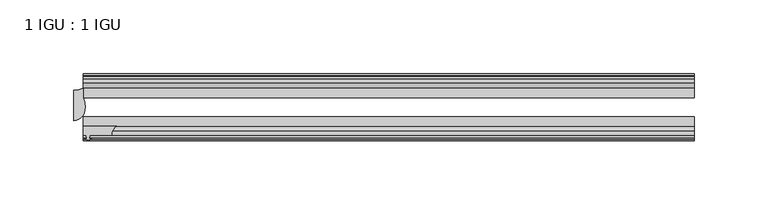
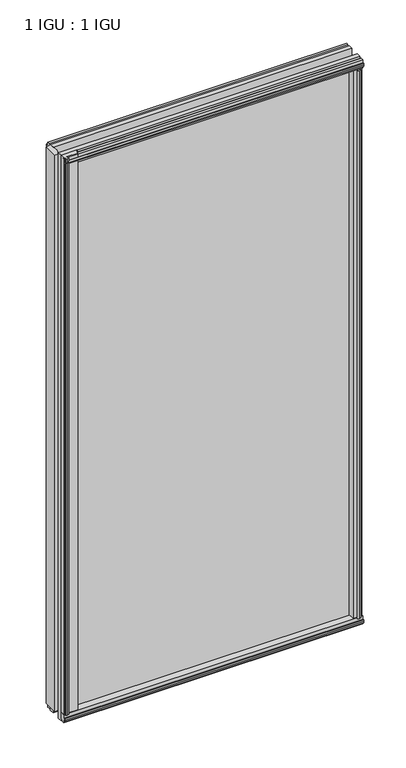
"""IFC4 building model written with IfcOpenShell, lengths in millimetres: plate geometry, 1 IGU : 1 IGU."""

import ifcopenshell
import ifcopenshell.guid

model = None  # the IFC model being written
_history = None  # IfcOwnerHistory: only IFC2X3 demands one
_inside = {}  # id of a spatial element -> (the spatial element, [elements in it])
_under = {}  # id of a project, library or spatial element -> (it, [spatial elements below it])
_declared = {}  # id of a project -> (the project, [libraries it declares])
_typed = {}  # id of a type object -> (the type object, [elements of that type])
_made_of = {}  # id of a material, layer set ... -> (it, [elements and type objects made of it])


def new_model(schema):
    """Start an empty IFC model of exactly this schema.

    Asked for "IFC4X3", IfcOpenShell would pick the latest addendum, in which some entities
    have other attributes; the version numbers below select the first issue.
    IFC2X3 requires an IfcOwnerHistory on every rooted entity: one is made here for all.
    """
    global model, _history
    if schema == "IFC4X3":
        model = ifcopenshell.file(schema_version=(4, 3, 0, 0))
    else:
        model = ifcopenshell.file(schema=schema)
    _inside.clear()
    _under.clear()
    _declared.clear()
    _typed.clear()
    _made_of.clear()
    _history = None
    if model.schema == "IFC2X3":
        org = make("IfcOrganization", Name="unknown")
        user = make(
            "IfcPersonAndOrganization",
            ThePerson=make("IfcPerson", FamilyName="unknown"),
            TheOrganization=org,
        )
        app = make(
            "IfcApplication",
            ApplicationDeveloper=org,
            Version="unknown",
            ApplicationFullName="unknown",
            ApplicationIdentifier="unknown",
        )
        _history = make(
            "IfcOwnerHistory",
            OwningUser=user,
            OwningApplication=app,
            ChangeAction="ADDED",
            CreationDate=0,
        )
    return model


def make(cls, **values):
    """One entity of the class cls with the attributes given. An attribute that is None is left unset."""
    return model.create_entity(
        cls, **{name: value for name, value in values.items() if value is not None}
    )


def rooted(cls, **values):
    """An entity with a GlobalId (a new one), such as an element, a storey or a relation."""
    return make(cls, GlobalId=ifcopenshell.guid.new(), OwnerHistory=_history, **values)


def si_unit(unit_type, name, prefix=None):
    """IfcSIUnit, for example si_unit("LENGTHUNIT", "METRE", prefix="MILLI")."""
    return make("IfcSIUnit", UnitType=unit_type, Prefix=prefix, Name=name)


def assignment(units):
    """IfcUnitAssignment: the units of a project."""
    return None if units is None else make("IfcUnitAssignment", Units=units)


def point(xyz):
    """IfcCartesianPoint."""
    return None if xyz is None else make("IfcCartesianPoint", Coordinates=xyz)


def direction(xyz):
    """IfcDirection."""
    return None if xyz is None else make("IfcDirection", DirectionRatios=xyz)


def frame(location, z_axis=None, x_axis=None):
    """IfcAxis2Placement3D, a coordinate frame: its origin and axes. An axis left out is left unset."""
    return make(
        "IfcAxis2Placement3D",
        Location=point(location),
        Axis=direction(z_axis),
        RefDirection=direction(x_axis),
    )


def frame_2d(location, x_axis=None):
    """IfcAxis2Placement2D, a coordinate frame in the plane: its origin and x axis."""
    return make(
        "IfcAxis2Placement2D", Location=point(location), RefDirection=direction(x_axis)
    )


def origin():
    """The frame at (0, 0, 0) with its axes left unset."""
    return frame((0.0, 0.0, 0.0))


def origin_with_axes():
    """The frame at (0, 0, 0) with the z axis (0, 0, 1) and the x axis (1, 0, 0) written out."""
    return frame((0.0, 0.0, 0.0), z_axis=(0.0, 0.0, 1.0), x_axis=(1.0, 0.0, 0.0))


def place(relative_to, where):
    """IfcLocalPlacement: puts the frame where relative to a parent placement (None: the world)."""
    return make(
        "IfcLocalPlacement", PlacementRelTo=relative_to, RelativePlacement=where
    )


def context(
    kind, dimensions, precision=None, world=None, true_north=None, identifier=None
):
    """IfcGeometricRepresentationContext, for example the 3D "Model" context."""
    return make(
        "IfcGeometricRepresentationContext",
        ContextIdentifier=identifier,
        ContextType=kind,
        CoordinateSpaceDimension=dimensions,
        Precision=precision,
        WorldCoordinateSystem=world,
        TrueNorth=true_north,
    )


def project(units=None, contexts=None):
    """IfcProject with its units and contexts."""
    return rooted(
        "IfcProject",
        Name="project",
        RepresentationContexts=contexts,
        UnitsInContext=assignment(units),
    )


def spatial(cls, under=None, at=None, **own):
    """A site, building, storey or space (cls), placed at a placement, below another one or the project."""
    s = rooted(cls, ObjectPlacement=at, **own)
    if under is not None:
        _under.setdefault(under.id(), (under, []))[1].append(s)
    return s


def polyline(points):
    """IfcPolyline through the points."""
    return make("IfcPolyline", Points=[point(p) for p in points])


def circle_curve(where, radius):
    """IfcCircle in the frame where."""
    return make("IfcCircle", Position=where, Radius=radius)


def ellipse_curve(where, semi_axis1, semi_axis2):
    """IfcEllipse in the frame where."""
    return make(
        "IfcEllipse", Position=where, SemiAxis1=semi_axis1, SemiAxis2=semi_axis2
    )


def trimmed(basis, trim1, trim2, sense, master):
    """IfcTrimmedCurve: the piece of a basis curve between two trims."""
    return make(
        "IfcTrimmedCurve",
        BasisCurve=basis,
        Trim1=trim1,
        Trim2=trim2,
        SenseAgreement=sense,
        MasterRepresentation=master,
    )


def segment(curve, same_sense, transition):
    """IfcCompositeCurveSegment."""
    return make(
        "IfcCompositeCurveSegment",
        Transition=transition,
        SameSense=same_sense,
        ParentCurve=curve,
    )


def composite_curve(segments, self_intersect=None):
    """IfcCompositeCurve: segments joined end to end."""
    return make("IfcCompositeCurve", Segments=segments, SelfIntersect=self_intersect)


def outline(outer, holes=None, kind="AREA"):
    """IfcArbitraryClosedProfileDef: a profile drawn as a closed curve; with holes, ...WithVoids."""
    if holes is None:
        return make("IfcArbitraryClosedProfileDef", ProfileType=kind, OuterCurve=outer)
    return make(
        "IfcArbitraryProfileDefWithVoids",
        ProfileType=kind,
        OuterCurve=outer,
        InnerCurves=holes,
    )


def extrude(swept, where, along, depth):
    """IfcExtrudedAreaSolid: the profile swept, set in the frame where, extruded along a direction by depth."""
    return make(
        "IfcExtrudedAreaSolid",
        SweptArea=swept,
        Position=where,
        ExtrudedDirection=direction(along),
        Depth=depth,
    )


def shape(context_of_items, identifier, shape_type, items):
    """IfcShapeRepresentation: the items that make up one representation, for example the "Body"."""
    return make(
        "IfcShapeRepresentation",
        ContextOfItems=context_of_items,
        RepresentationIdentifier=identifier,
        RepresentationType=shape_type,
        Items=items,
    )


def source(mapping_origin, context_of_items, identifier, shape_type, items):
    """IfcRepresentationMap: a shape defined once, which mapped items show again and again."""
    return make(
        "IfcRepresentationMap",
        MappingOrigin=mapping_origin,
        MappedRepresentation=shape(context_of_items, identifier, shape_type, items),
    )


def transform(
    local_origin,
    x_axis=None,
    y_axis=None,
    z_axis=None,
    scale=None,
    scale2=None,
    scale3=None,
    uniform=True,
):
    """IfcCartesianTransformationOperator3D, or its non-uniform kind. x_axis, y_axis, z_axis: its Axis1, 2, 3."""
    if uniform:
        return make(
            "IfcCartesianTransformationOperator3D",
            Axis1=direction(x_axis),
            Axis2=direction(y_axis),
            LocalOrigin=point(local_origin),
            Scale=scale,
            Axis3=direction(z_axis),
        )
    return make(
        "IfcCartesianTransformationOperator3DnonUniform",
        Axis1=direction(x_axis),
        Axis2=direction(y_axis),
        LocalOrigin=point(local_origin),
        Scale=scale,
        Axis3=direction(z_axis),
        Scale2=scale2,
        Scale3=scale3,
    )


def mapped(mapping_source, mapping_target):
    """IfcMappedItem: shows the shape of a source again, moved by a transform."""
    return make(
        "IfcMappedItem", MappingSource=mapping_source, MappingTarget=mapping_target
    )


def made_of(thing, what):
    """Note that an element or type object is made of a material, layer set ...; save() writes the relation."""
    if what is not None:
        _made_of.setdefault(what.id(), (what, []))[1].append(thing)
    return thing


def element(
    cls,
    number,
    at=None,
    inside=None,
    cuts=None,
    type_object=None,
    material=None,
    context=None,
    identifier="Body",
    shape_type=None,
    held_by="IfcProductDefinitionShape",
    body=None,
    shapes=None,
    **own,
):
    """One element of the class cls, such as IfcWall. Its Tag is "e" and its number.

    at: its placement. inside: the storey or other place that contains it. cuts: it is an
    opening in that element (IfcRelVoidsElement). A single representation is given by context,
    identifier, shape_type and body (its items); several are given by shapes. held_by: the class
    of the entity that holds the representations. save() writes the other relations.
    """
    e = rooted(cls, Tag="e%d" % number, ObjectPlacement=at, **own)
    if body is not None:
        shapes = [shape(context, identifier, shape_type, body)]
    if shapes is not None:
        e.Representation = make(held_by, Representations=shapes)
    if inside is not None:
        _inside.setdefault(inside.id(), (inside, []))[1].append(e)
    if cuts is not None:
        rooted(
            "IfcRelVoidsElement", RelatingBuildingElement=cuts, RelatedOpeningElement=e
        )
    if type_object is not None:
        _typed.setdefault(type_object.id(), (type_object, []))[1].append(e)
    return made_of(e, material)


def aggregate(whole, parts):
    """IfcRelAggregates: a whole, such as a stair, and the parts it consists of."""
    return rooted("IfcRelAggregates", RelatingObject=whole, RelatedObjects=parts)


def save(model, path):
    """Write the relations noted so far, then the file.

    IfcRelAggregates (storeys below a building ...), IfcRelContainedInSpatialStructure (elements
    in a storey), IfcRelDefinesByType, IfcRelAssociatesMaterial and IfcRelDeclares: one each for
    every whole, place, type object, material and project.
    """
    for whole, parts in _under.values():
        aggregate(whole, parts)
    for where, things in _inside.values():
        rooted(
            "IfcRelContainedInSpatialStructure",
            RelatedElements=things,
            RelatingStructure=where,
        )
    for kind, things in _typed.values():
        rooted("IfcRelDefinesByType", RelatedObjects=things, RelatingType=kind)
    for what, things in _made_of.values():
        rooted("IfcRelAssociatesMaterial", RelatedObjects=things, RelatingMaterial=what)
    for by, libraries in _declared.values():
        rooted("IfcRelDeclares", RelatingContext=by, RelatedDefinitions=libraries)
    model.write(path)


def plane_surface(at):
    """IfcPlane: the flat surface through the origin of the frame at, square to its z axis."""
    return make("IfcPlane", Position=at)


def cylinder_surface(at, radius):
    """IfcCylindricalSurface: all points at the distance radius from the z axis of the frame at."""
    return make("IfcCylindricalSurface", Position=at, Radius=radius)


def revolved_surface(curve, axis_point, axis_direction):
    """IfcSurfaceOfRevolution: the curve turned about the line through axis_point along axis_direction."""
    return make(
        "IfcSurfaceOfRevolution",
        SweptCurve=make("IfcArbitraryOpenProfileDef", ProfileType="CURVE", Curve=curve),
        AxisPosition=make("IfcAxis1Placement", Location=point(axis_point), Axis=direction(axis_direction)),
    )


def extruded_surface(curve, direction_of_extrusion, depth):
    """IfcSurfaceOfLinearExtrusion: the curve pushed along a direction by depth."""
    return make(
        "IfcSurfaceOfLinearExtrusion",
        SweptCurve=make("IfcArbitraryOpenProfileDef", ProfileType="CURVE", Curve=curve),
        ExtrudedDirection=direction(direction_of_extrusion),
        Depth=depth,
    )


def advanced_brep(points, edges, surfaces, faces):
    """IfcAdvancedBrep: a solid bounded by faces that lie on surfaces and meet in shared edges.

    An edge is (start, end): straight between two places in points (the first is 0);
    or (start, end, curve); or (start, end, curve, False) where it runs against its curve.
    A face is (place in surfaces, loops), or (place, loops, False) where it looks against
    its surface's normal. A loop lists edges by number (the first is 1), with a minus sign
    where the edge is run from its end to its start. The first loop is the outer one.
    """
    corners = [point(p) for p in points]
    vertices = [make("IfcVertexPoint", VertexGeometry=c) for c in corners]
    made = []
    for start, end, *more in edges:
        made.append(
            make(
                "IfcEdgeCurve",
                EdgeStart=vertices[start],
                EdgeEnd=vertices[end],
                EdgeGeometry=more[0] if more else make("IfcPolyline", Points=[corners[start], corners[end]]),
                SameSense=more[1] if len(more) > 1 else True,
            )
        )
    hull = []
    for where, loops, *sense in faces:
        bounds = []
        for j, loop in enumerate(loops):
            ring = [make("IfcOrientedEdge", EdgeElement=made[abs(k) - 1], Orientation=k > 0) for k in loop]
            bounds.append(
                make(
                    "IfcFaceOuterBound" if j == 0 else "IfcFaceBound",
                    Bound=make("IfcEdgeLoop", EdgeList=ring),
                    Orientation=True,
                )
            )
        hull.append(make("IfcAdvancedFace", Bounds=bounds, FaceSurface=surfaces[where], SameSense=sense[0] if sense else True))
    return make("IfcAdvancedBrep", Outer=make("IfcClosedShell", CfsFaces=hull))


def plate_1_igu_1_igu_0d06a0a3(model_context):
    return source(origin(), model_context, "Body", "SolidModel", [
        extrude(outline(composite_curve([segment(trimmed(circle_curve(frame_2d((-183.018843, -51.2493858)), 7.4386445), [point((-186.9687723, -44.9460937))], [point((-190.4573409, -51.2960937))], True, "CARTESIAN"), True, "CONTINUOUS"), segment(polyline([(-190.4573409, -51.2960937), (-205.0623409, -51.2960937), (-205.3798409, -53.4006957), (-204.173935, -53.0775742), (-204.173935, -53.8927506), (-206.3323409, -54.4710937), (-208.4907468, -53.8927506), (-208.4907468, -53.0775742), (-207.2848409, -53.4006957), (-207.6023409, -51.2960937), (-209.5073409, -51.2960937), (-209.5073409, -44.9460937), (-186.9687723, -44.9460937)]), True, "CONTINUOUS")], self_intersect=False)), origin_with_axes(), (0.0, 0.0, 1.0), 812.7872998),
        extrude(outline(polyline([(188.8715546, -19.5460937), (190.9768317, -13.1960937), (196.1840261, -13.1960937), (196.5650261, -10.8158968), (195.1494971, -11.27583), (195.1494971, -10.4746158), (197.3270261, -9.7670937), (199.5045552, -10.4746158), (199.5045552, -11.27583), (198.0890261, -10.8158968), (198.4700261, -13.1960937), (202.9150261, -13.1960937), (202.9150261, -16.1419073), (200.7019486, -19.5460937), (188.8715546, -19.5460937)])), origin_with_axes(), (0.0, 0.0, 1.0), 800.1),
        extrude(outline(polyline([(-16.1419073, -12.4576852), (-19.5460937, -10.2446077), (-19.5460937, 1.5857863), (-13.1960937, -0.5194908), (-13.1960937, -5.7266852), (-10.8158968, -6.1076852), (-11.27583, -4.6921562), (-10.4746158, -4.6921562), (-9.7670937, -6.8696852), (-10.4746158, -9.0472143), (-11.27583, -9.0472143), (-10.8158968, -7.6316852), (-13.1960937, -8.0126852), (-13.1960937, -12.4576852), (-16.1419073, -12.4576852)])), frame((-209.5073409, 0.0, 0.0), z_axis=(1.0, 0.0, 0.0), x_axis=(0.0, 1.0, 0.0)), (0.0, 0.0, 1.0), 412.6646818),
        extrude(outline(polyline([(-48.3502802, -11.938), (-51.2960937, -11.938), (-51.2960937, -7.493), (-53.6762907, -7.112), (-53.2163575, -8.5275291), (-54.0175717, -8.5275291), (-54.7250937, -6.35), (-54.0175717, -4.172471), (-53.2163575, -4.172471), (-53.6762907, -5.588), (-51.2960937, -5.207), (-51.2960937, 0.0001944), (-44.9460937, 2.1054715), (-44.9460937, -9.7249225), (-48.3502802, -11.938)])), frame((-209.5073409, 0.0, 0.0), z_axis=(1.0, 0.0, 0.0), x_axis=(0.0, 1.0, 0.0)), (0.0, 0.0, 1.0), 412.6646818),
        extrude(outline(polyline([(-16.1028367, 812.5576852), (-13.1960937, 812.5576852), (-13.1960937, 808.1126852), (-10.8158968, 807.7316852), (-11.27583, 809.1472143), (-10.4746158, 809.1472143), (-9.7670937, 806.9696852), (-10.4746158, 804.7921562), (-11.27583, 804.7921562), (-10.8158968, 806.2076852), (-13.1960937, 805.8266852), (-13.1960937, 800.5940908), (-19.5460937, 798.4888137), (-19.5460937, 810.3192077), (-16.1028367, 812.5576852)])), frame((-209.5073409, 0.0, 0.0), z_axis=(1.0, 0.0, 0.0), x_axis=(0.0, 1.0, 0.0)), (0.0, 0.0, 1.0), 412.6646818),
        extrude(outline(polyline([(-48.3893508, 812.0126), (-44.9460937, 809.7741225), (-44.9460937, 797.9437285), (-51.2960937, 800.0490056), (-51.2960937, 805.2816), (-53.6762907, 805.6626), (-53.2163575, 804.247071), (-54.0175717, 804.247071), (-54.7250938, 806.4246), (-54.0175717, 808.6021291), (-53.2163575, 808.6021291), (-53.6762907, 807.1866), (-51.2960937, 807.5676), (-51.2960937, 812.0126), (-48.3893508, 812.0126)])), frame((-209.5073409, 0.0, 0.0), z_axis=(1.0, 0.0, 0.0), x_axis=(0.0, 1.0, 0.0)), (0.0, 0.0, 1.0), 412.6646818),
        advanced_brep(
        [(-215.8573409, -41.2564987, 812.7872998), (-208.3350038, -32.2460937, 812.7872998), (-209.5073409, -25.8452937, 812.7872998), (-209.5073409, -19.5460937, 812.7872998), (-215.8573409, -20.7775816, 812.7872998), (-215.8573409, -41.2564987, 0.0), (-215.8573409, -20.7775816, 0.0), (-209.5073409, -19.5460937, 0.0), (-209.5073409, -25.8452937, 0.0), (-208.3350038, -32.2460937, 0.0)],
        [
            (0, 1, ellipse_curve(frame((-215.8573409, -32.2460937, 812.7872998), z_axis=(0.0, 0.0, 1.0), x_axis=(0.0, 1.0, 0.0)), 9.010405, 7.5223372)),
            (1, 2, circle_curve(frame((-226.3949172, -32.2460937, 812.7872998), z_axis=(0.0, 0.0, 1.0), x_axis=(0.0, 1.0, 0.0)), 18.0599135)),
            (2, 3),
            (3, 4, circle_curve(frame((-215.8573409, -3.7903806, 812.7872998), z_axis=(0.0, 0.0, -1.0), x_axis=(0.0, 1.0, 0.0)), 16.987201)),
            (4, 0),
            (5, 6),
            (6, 7, circle_curve(frame((-215.8573409, -3.7903806, 0.0), z_axis=(0.0, 0.0, 1.0), x_axis=(0.0, 1.0, 0.0)), 16.987201)),
            (7, 8),
            (8, 9, circle_curve(frame((-226.3949172, -32.2460937, 0.0), z_axis=(0.0, 0.0, -1.0), x_axis=(0.0, 1.0, 0.0)), 18.0599135)),
            (9, 5, ellipse_curve(frame((-215.8573409, -32.2460937, 0.0), z_axis=(0.0, 0.0, -1.0), x_axis=(0.0, 1.0, 0.0)), 9.010405, 7.5223372)),
            (0, 5),
            (9, 1),
            (4, 6),
            (8, 2),
            (7, 3),
        ],
        [
            plane_surface(frame((-190.4573409, -13.1960937, 812.7872998), z_axis=(0.0, 0.0, 1.0), x_axis=(0.0, 1.0, 0.0))),
            plane_surface(frame((-190.4573409, -13.1960937, 0.0), z_axis=(0.0, 0.0, -1.0), x_axis=(0.0, 1.0, 0.0))),
            extruded_surface(trimmed(ellipse_curve(frame((-215.8573409, -32.2460937, 0.0), z_axis=(0.0, 0.0, 1.0), x_axis=(0.0, 1.0, 0.0)), 9.010405, 7.5223372), [point((-215.8573409, -41.2564987, 0.0))], [point((-208.3350038, -32.2460937, 0.0))], True, "CARTESIAN"), (0.0, 0.0, 812.7872998), 812.7872998),
            plane_surface(frame((-215.8573409, -20.7775816, 812.7872998), z_axis=(-1.0, 0.0, 0.0), x_axis=(0.0, 0.0, -1.0))),
            cylinder_surface(frame((-226.3949172, -32.2460937, 812.7872998), z_axis=(0.0, 0.0, 1.0), x_axis=(0.0, 1.0, 0.0)), 18.0599135),
            plane_surface(frame((-209.5073409, -25.8452937, 812.7872998), z_axis=(1.0, 0.0, 0.0), x_axis=(0.0, 0.0, -1.0))),
            revolved_surface(polyline([(-215.8573409, 13.196820399999998, 0.0), (-215.8573409, 13.196820399999998, 812.7872998)]), (-215.8573409, -3.7903806, 812.7872998), (0.0, 0.0, -1.0)),
        ],
        [
            (0, [[1, 2, 3, 4, 5]]),
            (1, [[6, 7, 8, 9, 10]]),
            (2, [[-1, 11, -10, 12]]),
            (3, [[-5, 13, -6, -11]]),
            (4, [[-2, -12, -9, 14]]),
            (5, [[-3, -14, -8, 15]]),
            (6, [[-4, -15, -7, -13]]),
        ],
    ),
        extrude(outline(polyline([(188.3518694, -44.9460938), (200.1822634, -44.9460938), (202.3953409, -48.3502802), (202.3953409, -51.2960938), (197.9503409, -51.2960938), (197.5693409, -53.6762907), (198.98487, -53.2163575), (198.98487, -54.0175717), (196.8073409, -54.7250938), (194.6298119, -54.0175717), (194.6298119, -53.2163575), (196.0453409, -53.6762907), (195.6643409, -51.2960938), (190.4571465, -51.2960938), (188.3518694, -44.9460938)])), origin_with_axes(), (0.0, 0.0, 1.0), 800.1),
        extrude(outline(polyline([(203.1573409, -19.5460937), (203.1573409, -25.8337453), (-209.5073409, -25.8337453), (-209.5073409, -19.5460937), (203.1573409, -19.5460937)])), frame((0.0, 0.0, -12.7), z_axis=(0.0, 0.0, 1.0), x_axis=(1.0, 0.0, 0.0)), (0.0, 0.0, 1.0), 825.4872998),
        extrude(outline(polyline([(-209.5073409, -44.9460937), (-209.5073409, -38.6468938), (203.1573409, -38.6468938), (203.1573409, -44.9460937), (-209.5073409, -44.9460937)])), frame((0.0, 0.0, -12.7), z_axis=(0.0, 0.0, 1.0), x_axis=(1.0, 0.0, 0.0)), (0.0, 0.0, 1.0), 825.4872998),
    ])


if __name__ == "__main__":
    model = new_model("IFC4")
    model_context = context("Model", 3, world=origin())
    ifc_project = project(units=[si_unit("LENGTHUNIT", "METRE", prefix="MILLI")], contexts=[model_context])
    site = spatial("IfcSite", under=ifc_project)
    building = spatial("IfcBuilding", under=site)
    placement = place(None, origin())
    plate_1_igu_1_igu_shape = plate_1_igu_1_igu_0d06a0a3(model_context)
    element("IfcPlate", 1, ObjectType="1 IGU : 1 IGU", at=placement, inside=building, context=model_context, shape_type="MappedRepresentation", body=[
        mapped(plate_1_igu_1_igu_shape, transform((0.0, 0.0, 0.0), x_axis=(1.0, 0.0, 0.0), y_axis=(0.0, 1.0, 0.0), z_axis=(0.0, 0.0, 1.0))),
    ])
    save(model, "model.ifc")
